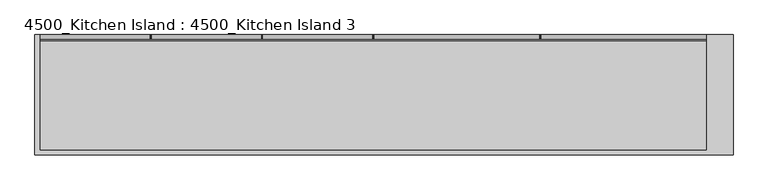
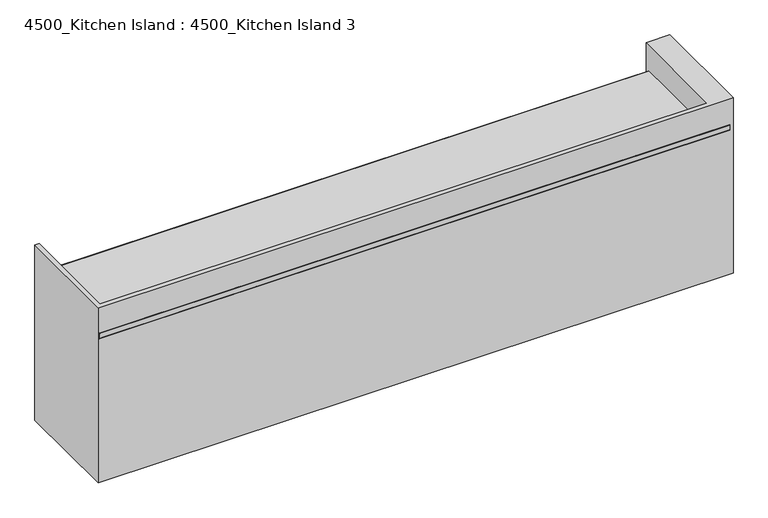
"""IFC4 building model written with IfcOpenShell, lengths in millimetres: furniture geometry, 4500_Kitchen Island : 4500_Kitchen Island 3."""

from ifc_helpers import new_model, si_unit, point, frame, frame_2d, origin, origin_with_axes, place, context, project, spatial, polyline, circle_curve, trimmed, segment, composite_curve, outline, extrude, source, transform, mapped, element, save


def furniture_4500_kitchen_island_4500_kitchen_island_3_91041dad(model_context):
    return source(origin(), model_context, "Body", "SweptSolid", [
        extrude(outline(polyline([(625.0, 555.0), (600.0, 555.0), (600.0, 852.4948115), (625.0, 870.0), (625.0, 555.0)])), frame((-2200.2996736, 0.0, 0.0), z_axis=(1.0, 0.0, 0.0), x_axis=(0.0, 1.0, 0.0)), (0.0, 0.0, 1.0), 590.0),
        extrude(outline(polyline([(625.0, 200.0), (600.0, 200.0), (600.0, 497.4948115), (625.0, 515.0), (625.0, 200.0)])), frame((-2205.2996736, 0.0, 0.0), z_axis=(1.0, 0.0, 0.0), x_axis=(0.0, 1.0, 0.0)), (0.0, 0.0, 1.0), 600.0),
        extrude(outline(polyline([(-1605.2996736, 0.0), (-2205.2996736, 0.0), (-2205.2996736, 600.0), (-1605.2996736, 600.0), (-1605.2996736, 0.0)])), origin_with_axes(), (0.0, 0.0, 1.0), 900.0),
        extrude(outline(polyline([(625.0, 555.0), (600.0, 555.0), (600.0, 852.4948115), (625.0, 870.0), (625.0, 555.0)])), frame((-1600.2996736, 0.0, 0.0), z_axis=(1.0, 0.0, 0.0), x_axis=(0.0, 1.0, 0.0)), (0.0, 0.0, 1.0), 590.0),
        extrude(outline(polyline([(625.0, 200.0), (600.0, 200.0), (600.0, 497.4948115), (625.0, 515.0), (625.0, 200.0)])), frame((-1605.2996736, 0.0, 0.0), z_axis=(1.0, 0.0, 0.0), x_axis=(0.0, 1.0, 0.0)), (0.0, 0.0, 1.0), 600.0),
        extrude(outline(polyline([(-1005.2996736, 0.0), (-1605.2996736, 0.0), (-1605.2996736, 600.0), (-1005.2996736, 600.0), (-1005.2996736, 0.0)])), origin_with_axes(), (0.0, 0.0, 1.0), 900.0),
        extrude(outline(polyline([(625.0, 555.0), (600.0, 555.0), (600.0, 852.4948115), (625.0, 870.0), (625.0, 555.0)])), frame((-1000.2996736, 0.0, 0.0), z_axis=(1.0, 0.0, 0.0), x_axis=(0.0, 1.0, 0.0)), (0.0, 0.0, 1.0), 590.0),
        extrude(outline(polyline([(625.0, 200.0), (600.0, 200.0), (600.0, 497.4948115), (625.0, 515.0), (625.0, 200.0)])), frame((-1005.2996736, 0.0, 0.0), z_axis=(1.0, 0.0, 0.0), x_axis=(0.0, 1.0, 0.0)), (0.0, 0.0, 1.0), 600.0),
        extrude(outline(polyline([(-405.2996736, 0.0), (-1005.2996736, 0.0), (-1005.2996736, 600.0), (-405.2996736, 600.0), (-405.2996736, 0.0)])), origin_with_axes(), (0.0, 0.0, 1.0), 900.0),
        extrude(outline(polyline([(625.0, 555.0), (600.0, 555.0), (600.0, 852.4948115), (625.0, 870.0), (625.0, 555.0)])), frame((499.7003264, 0.0, 0.0), z_axis=(1.0, 0.0, 0.0), x_axis=(0.0, 1.0, 0.0)), (0.0, 0.0, 1.0), 890.0),
        extrude(outline(polyline([(625.0, 200.0), (600.0, 200.0), (600.0, 497.4948115), (625.0, 515.0), (625.0, 200.0)])), frame((494.7003264, 0.0, 0.0), z_axis=(1.0, 0.0, 0.0), x_axis=(0.0, 1.0, 0.0)), (0.0, 0.0, 1.0), 900.0),
        extrude(outline(polyline([(1394.7003264, 0.0), (494.7003264, 0.0), (494.7003264, 600.0), (1394.7003264, 600.0), (1394.7003264, 0.0)])), origin_with_axes(), (0.0, 0.0, 1.0), 900.0),
        extrude(outline(polyline([(625.0, 555.0), (600.0, 555.0), (600.0, 852.4948115), (625.0, 870.0), (625.0, 555.0)])), frame((-400.2996736, 0.0, 0.0), z_axis=(1.0, 0.0, 0.0), x_axis=(0.0, 1.0, 0.0)), (0.0, 0.0, 1.0), 890.0),
        extrude(outline(polyline([(625.0, 200.0), (600.0, 200.0), (600.0, 497.4948115), (625.0, 515.0), (625.0, 200.0)])), frame((-405.2996736, 0.0, 0.0), z_axis=(1.0, 0.0, 0.0), x_axis=(0.0, 1.0, 0.0)), (0.0, 0.0, 1.0), 900.0),
        extrude(outline(polyline([(494.7003264, 0.0), (-405.2996736, 0.0), (-405.2996736, 600.0), (494.7003264, 600.0), (494.7003264, 0.0)])), origin_with_axes(), (0.0, 0.0, 1.0), 900.0),
        extrude(outline(composite_curve([segment(polyline([(594.7887338, 900.0), (-20.2112662, 900.0)]), True, "CONTINUOUS"), segment(trimmed(circle_curve(frame_2d((-20.2112662, 905.0)), 5.0), [point((-20.2112662, 900.0))], [point((-25.2112662, 905.0))], False, "CARTESIAN"), True, "CONTINUOUS"), segment(polyline([(-25.2112662, 905.0), (-25.2112662, 935.7575983)]), True, "CONTINUOUS"), segment(trimmed(circle_curve(frame_2d((-20.2112662, 935.7575983)), 5.0), [point((-25.2112662, 935.7575983))], [point((-20.2112662, 940.7575983))], False, "CARTESIAN"), True, "CONTINUOUS"), segment(polyline([(-20.2112662, 940.7575983), (594.7887338, 940.7575983)]), True, "CONTINUOUS"), segment(trimmed(circle_curve(frame_2d((594.7887338, 935.7575983)), 5.0), [point((594.7887338, 940.7575983))], [point((599.7887338, 935.7575983))], False, "CARTESIAN"), True, "CONTINUOUS"), segment(polyline([(599.7887338, 935.7575983), (599.7887338, 905.0)]), True, "CONTINUOUS"), segment(trimmed(circle_curve(frame_2d((594.7887338, 905.0)), 5.0), [point((599.7887338, 905.0))], [point((594.7887338, 900.0))], False, "CARTESIAN"), True, "CONTINUOUS")], self_intersect=False)), frame((-2224.2081232, 0.0, 0.0), z_axis=(1.0, 0.0, 0.0), x_axis=(0.0, 1.0, 0.0)), (0.0, 0.0, 1.0), 3740.0),
        extrude(outline(polyline([(-2205.2996736, 0.0), (1394.7003264, 0.0), (1394.7003264, 625.0), (1535.5796224, 625.0), (1535.5796224, -25.0), (-2230.2996736, -25.0), (-2230.2996736, 625.0), (-2205.2996736, 625.0), (-2205.2996736, 0.0)])), origin_with_axes(), (0.0, 0.0, 1.0), 1100.0),
    ])


if __name__ == "__main__":
    model = new_model("IFC4")
    model_context = context("Model", 3, world=origin())
    ifc_project = project(units=[si_unit("LENGTHUNIT", "METRE", prefix="MILLI")], contexts=[model_context])
    site = spatial("IfcSite", under=ifc_project)
    building = spatial("IfcBuilding", under=site)
    placement = place(None, origin())
    furniture_4500_kitchen_island_4500_kitchen_island_3_shape = furniture_4500_kitchen_island_4500_kitchen_island_3_91041dad(model_context)
    element("IfcFurniture", 1, ObjectType="4500_Kitchen Island : 4500_Kitchen Island 3", at=placement, inside=building, context=model_context, shape_type="MappedRepresentation", body=[
        mapped(furniture_4500_kitchen_island_4500_kitchen_island_3_shape, transform((0.0, 0.0, 0.0), x_axis=(1.0, 0.0, 0.0), y_axis=(0.0, 1.0, 0.0), z_axis=(0.0, 0.0, 1.0))),
    ])
    save(model, "model.ifc")
